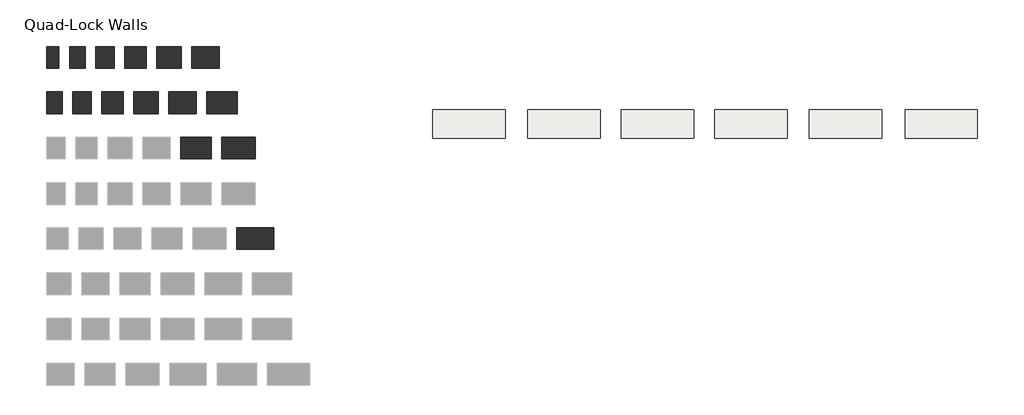
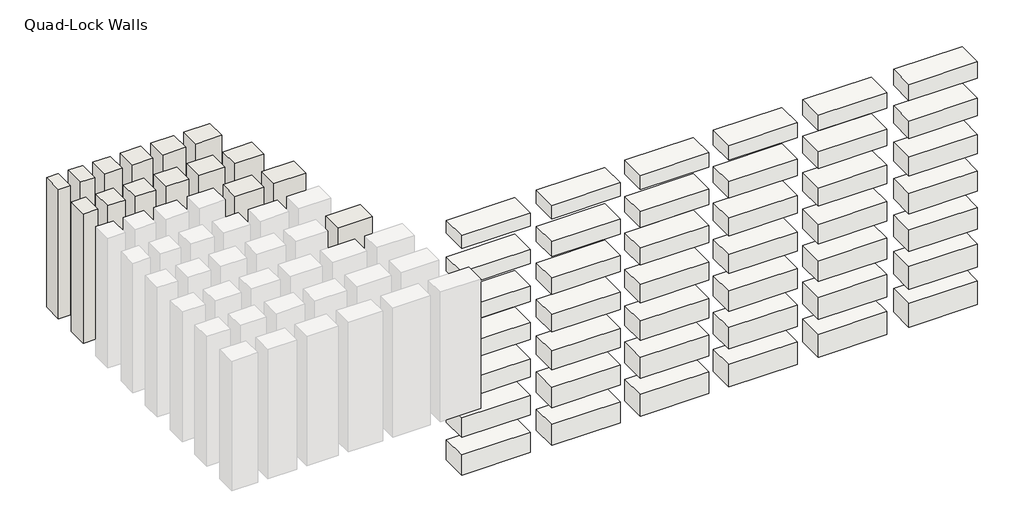
# One storey, part 2 of 2: 42 slabs, 15 walls.
"""IFC4 building model written with IfcOpenShell, lengths in millimetres."""

from ifc_helpers import new_model, si_unit, frame, origin, origin_with_axes, place, context, project, spatial, polyline, outline, extrude, element, save

model = new_model("IFC4")

# Units and contexts
model_context = context("Model", 3, world=origin())
ifc_project = project(units=[si_unit("LENGTHUNIT", "METRE", prefix="MILLI")], contexts=[model_context])

# Site, building, storey
site = spatial("IfcSite", under=ifc_project)
building = spatial("IfcBuilding", under=site)
storey = spatial("IfcBuildingStorey", under=building, Name="Quad-Lock Walls", Elevation=0.0)

# Slabs
placement = place(None, origin())
element("IfcSlab", 1, at=placement, inside=storey, context=model_context, shape_type="SweptSolid", body=[
    extrude(outline(polyline([(4461.1663569, 2606.3833142), (4461.1663569, 2131.470435), (3241.9663569, 2131.470435), (3241.9663569, 2606.3833142), (4461.1663569, 2606.3833142)])), frame((0.0, 0.0, -241.3), z_axis=(0.0, 0.0, 1.0), x_axis=(1.0, 0.0, 0.0)), (0.0, 0.0, 1.0), 241.3),
])
element("IfcSlab", 2, at=placement, inside=storey, context=model_context, shape_type="SweptSolid", body=[
    extrude(outline(polyline([(6061.3663569, 2606.3833142), (6061.3663569, 2131.470435), (4842.1663569, 2131.470435), (4842.1663569, 2606.3833142), (6061.3663569, 2606.3833142)])), frame((0.0, 0.0, -241.3), z_axis=(0.0, 0.0, 1.0), x_axis=(1.0, 0.0, 0.0)), (0.0, 0.0, 1.0), 254.0),
])
element("IfcSlab", 3, at=placement, inside=storey, context=model_context, shape_type="SweptSolid", body=[
    extrude(outline(polyline([(7636.1663569, 2606.3833142), (7636.1663569, 2131.470435), (6416.9663569, 2131.470435), (6416.9663569, 2606.3833142), (7636.1663569, 2606.3833142)])), frame((0.0, 0.0, -241.3), z_axis=(0.0, 0.0, 1.0), x_axis=(1.0, 0.0, 0.0)), (0.0, 0.0, 1.0), 266.7),
])
element("IfcSlab", 4, at=placement, inside=storey, context=model_context, shape_type="SweptSolid", body=[
    extrude(outline(polyline([(9210.9663569, 2606.3833142), (9210.9663569, 2131.470435), (7991.7663569, 2131.470435), (7991.7663569, 2606.3833142), (9210.9663569, 2606.3833142)])), frame((0.0, 0.0, -241.3), z_axis=(0.0, 0.0, 1.0), x_axis=(1.0, 0.0, 0.0)), (0.0, 0.0, 1.0), 279.4),
])
element("IfcSlab", 5, at=placement, inside=storey, context=model_context, shape_type="SweptSolid", body=[
    extrude(outline(polyline([(10802.7050683, 2606.3833142), (10802.7050683, 2131.470435), (9583.5050683, 2131.470435), (9583.5050683, 2606.3833142), (10802.7050683, 2606.3833142)])), frame((0.0, 0.0, -241.3), z_axis=(0.0, 0.0, 1.0), x_axis=(1.0, 0.0, 0.0)), (0.0, 0.0, 1.0), 292.1),
])
element("IfcSlab", 6, at=placement, inside=storey, context=model_context, shape_type="SweptSolid", body=[
    extrude(outline(polyline([(12415.6050683, 2606.3833142), (12415.6050683, 2131.470435), (11196.4050683, 2131.470435), (11196.4050683, 2606.3833142), (12415.6050683, 2606.3833142)])), frame((0.0, 0.0, -241.3), z_axis=(0.0, 0.0, 1.0), x_axis=(1.0, 0.0, 0.0)), (0.0, 0.0, 1.0), 304.8),
])
element("IfcSlab", 7, at=placement, inside=storey, context=model_context, shape_type="SweptSolid", body=[
    extrude(outline(polyline([(4461.1471547, 2606.3833142), (4461.1471547, 2131.470435), (3241.9855591, 2131.470435), (3241.9855591, 2606.3833142), (4461.1471547, 2606.3833142)])), frame((0.0, 0.0, -952.5), z_axis=(0.0, 0.0, 1.0), x_axis=(1.0, 0.0, 0.0)), (0.0, 0.0, 1.0), 266.7),
])
element("IfcSlab", 8, at=placement, inside=storey, context=model_context, shape_type="SweptSolid", body=[
    extrude(outline(polyline([(6061.3471547, 2606.3833142), (6061.3471547, 2131.470435), (4842.1855591, 2131.470435), (4842.1855591, 2606.3833142), (6061.3471547, 2606.3833142)])), frame((0.0, 0.0, -952.5), z_axis=(0.0, 0.0, 1.0), x_axis=(1.0, 0.0, 0.0)), (0.0, 0.0, 1.0), 279.4),
])
element("IfcSlab", 9, at=placement, inside=storey, context=model_context, shape_type="SweptSolid", body=[
    extrude(outline(polyline([(7636.1471547, 2606.3833142), (7636.1471547, 2131.470435), (6416.9855591, 2131.470435), (6416.9855591, 2606.3833142), (7636.1471547, 2606.3833142)])), frame((0.0, 0.0, -952.5), z_axis=(0.0, 0.0, 1.0), x_axis=(1.0, 0.0, 0.0)), (0.0, 0.0, 1.0), 292.1),
])
element("IfcSlab", 10, at=placement, inside=storey, context=model_context, shape_type="SweptSolid", body=[
    extrude(outline(polyline([(9210.9471547, 2606.3833142), (9210.9471547, 2131.470435), (7991.7855591, 2131.470435), (7991.7855591, 2606.3833142), (9210.9471547, 2606.3833142)])), frame((0.0, 0.0, -952.5), z_axis=(0.0, 0.0, 1.0), x_axis=(1.0, 0.0, 0.0)), (0.0, 0.0, 1.0), 304.8),
])
element("IfcSlab", 11, at=placement, inside=storey, context=model_context, shape_type="SweptSolid", body=[
    extrude(outline(polyline([(10802.685866, 2606.3833142), (10802.685866, 2131.470435), (9583.5242705, 2131.470435), (9583.5242705, 2606.3833142), (10802.685866, 2606.3833142)])), frame((0.0, 0.0, -952.5), z_axis=(0.0, 0.0, 1.0), x_axis=(1.0, 0.0, 0.0)), (0.0, 0.0, 1.0), 317.5),
])
element("IfcSlab", 12, at=placement, inside=storey, context=model_context, shape_type="SweptSolid", body=[
    extrude(outline(polyline([(12415.585866, 2606.3833142), (12415.585866, 2131.470435), (11196.4242705, 2131.470435), (11196.4242705, 2606.3833142), (12415.585866, 2606.3833142)])), frame((0.0, 0.0, -952.5), z_axis=(0.0, 0.0, 1.0), x_axis=(1.0, 0.0, 0.0)), (0.0, 0.0, 1.0), 330.2),
])
element("IfcSlab", 13, at=placement, inside=storey, context=model_context, shape_type="SweptSolid", body=[
    extrude(outline(polyline([(4461.1471547, 2606.3833142), (4461.1471547, 2131.470435), (3241.9855591, 2131.470435), (3241.9855591, 2606.3833142), (4461.1471547, 2606.3833142)])), frame((0.0, 0.0, -1663.7), z_axis=(0.0, 0.0, 1.0), x_axis=(1.0, 0.0, 0.0)), (0.0, 0.0, 1.0), 292.1),
])
element("IfcSlab", 14, at=placement, inside=storey, context=model_context, shape_type="SweptSolid", body=[
    extrude(outline(polyline([(6061.3471547, 2606.3833142), (6061.3471547, 2131.470435), (4842.1855591, 2131.470435), (4842.1855591, 2606.3833142), (6061.3471547, 2606.3833142)])), frame((0.0, 0.0, -1663.7), z_axis=(0.0, 0.0, 1.0), x_axis=(1.0, 0.0, 0.0)), (0.0, 0.0, 1.0), 304.8),
])
element("IfcSlab", 15, at=placement, inside=storey, context=model_context, shape_type="SweptSolid", body=[
    extrude(outline(polyline([(7636.1471547, 2606.3833142), (7636.1471547, 2131.470435), (6416.9855591, 2131.470435), (6416.9855591, 2606.3833142), (7636.1471547, 2606.3833142)])), frame((0.0, 0.0, -1663.7), z_axis=(0.0, 0.0, 1.0), x_axis=(1.0, 0.0, 0.0)), (0.0, 0.0, 1.0), 317.5),
])
element("IfcSlab", 16, at=placement, inside=storey, context=model_context, shape_type="SweptSolid", body=[
    extrude(outline(polyline([(9210.9471547, 2606.3833142), (9210.9471547, 2131.470435), (7991.7855591, 2131.470435), (7991.7855591, 2606.3833142), (9210.9471547, 2606.3833142)])), frame((0.0, 0.0, -1663.7), z_axis=(0.0, 0.0, 1.0), x_axis=(1.0, 0.0, 0.0)), (0.0, 0.0, 1.0), 330.2),
])
element("IfcSlab", 17, at=placement, inside=storey, context=model_context, shape_type="SweptSolid", body=[
    extrude(outline(polyline([(10802.685866, 2606.3833142), (10802.685866, 2131.470435), (9583.5242705, 2131.470435), (9583.5242705, 2606.3833142), (10802.685866, 2606.3833142)])), frame((0.0, 0.0, -1663.7), z_axis=(0.0, 0.0, 1.0), x_axis=(1.0, 0.0, 0.0)), (0.0, 0.0, 1.0), 342.9),
])
element("IfcSlab", 18, at=placement, inside=storey, context=model_context, shape_type="SweptSolid", body=[
    extrude(outline(polyline([(12415.585866, 2606.3833142), (12415.585866, 2131.470435), (11196.4242705, 2131.470435), (11196.4242705, 2606.3833142), (12415.585866, 2606.3833142)])), frame((0.0, 0.0, -1663.7), z_axis=(0.0, 0.0, 1.0), x_axis=(1.0, 0.0, 0.0)), (0.0, 0.0, 1.0), 355.6),
])
element("IfcSlab", 19, at=placement, inside=storey, context=model_context, shape_type="SweptSolid", body=[
    extrude(outline(polyline([(4461.1471547, 2606.3833142), (4461.1471547, 2131.470435), (3241.9855591, 2131.470435), (3241.9855591, 2606.3833142), (4461.1471547, 2606.3833142)])), frame((0.0, 0.0, -2374.9), z_axis=(0.0, 0.0, 1.0), x_axis=(1.0, 0.0, 0.0)), (0.0, 0.0, 1.0), 317.5),
])
element("IfcSlab", 20, at=placement, inside=storey, context=model_context, shape_type="SweptSolid", body=[
    extrude(outline(polyline([(6061.3471547, 2606.3833142), (6061.3471547, 2131.470435), (4842.1855591, 2131.470435), (4842.1855591, 2606.3833142), (6061.3471547, 2606.3833142)])), frame((0.0, 0.0, -2374.9), z_axis=(0.0, 0.0, 1.0), x_axis=(1.0, 0.0, 0.0)), (0.0, 0.0, 1.0), 330.2),
])
element("IfcSlab", 21, at=placement, inside=storey, context=model_context, shape_type="SweptSolid", body=[
    extrude(outline(polyline([(7636.1471547, 2606.3833142), (7636.1471547, 2131.470435), (6416.9855591, 2131.470435), (6416.9855591, 2606.3833142), (7636.1471547, 2606.3833142)])), frame((0.0, 0.0, -2374.9), z_axis=(0.0, 0.0, 1.0), x_axis=(1.0, 0.0, 0.0)), (0.0, 0.0, 1.0), 342.9),
])
element("IfcSlab", 22, at=placement, inside=storey, context=model_context, shape_type="SweptSolid", body=[
    extrude(outline(polyline([(9210.9471547, 2606.3833142), (9210.9471547, 2131.470435), (7991.7855591, 2131.470435), (7991.7855591, 2606.3833142), (9210.9471547, 2606.3833142)])), frame((0.0, 0.0, -2374.9), z_axis=(0.0, 0.0, 1.0), x_axis=(1.0, 0.0, 0.0)), (0.0, 0.0, 1.0), 355.6),
])
element("IfcSlab", 23, at=placement, inside=storey, context=model_context, shape_type="SweptSolid", body=[
    extrude(outline(polyline([(10802.685866, 2606.3833142), (10802.685866, 2131.470435), (9583.5242705, 2131.470435), (9583.5242705, 2606.3833142), (10802.685866, 2606.3833142)])), frame((0.0, 0.0, -2374.9), z_axis=(0.0, 0.0, 1.0), x_axis=(1.0, 0.0, 0.0)), (0.0, 0.0, 1.0), 368.3),
])
element("IfcSlab", 24, at=placement, inside=storey, context=model_context, shape_type="SweptSolid", body=[
    extrude(outline(polyline([(12415.585866, 2606.3833142), (12415.585866, 2131.470435), (11196.4242705, 2131.470435), (11196.4242705, 2606.3833142), (12415.585866, 2606.3833142)])), frame((0.0, 0.0, -2374.9), z_axis=(0.0, 0.0, 1.0), x_axis=(1.0, 0.0, 0.0)), (0.0, 0.0, 1.0), 381.0),
])
element("IfcSlab", 25, at=placement, inside=storey, context=model_context, shape_type="SweptSolid", body=[
    extrude(outline(polyline([(4461.1471547, 2606.3833142), (4461.1471547, 2131.470435), (3241.9855591, 2131.470435), (3241.9855591, 2606.3833142), (4461.1471547, 2606.3833142)])), frame((0.0, 0.0, -3086.1), z_axis=(0.0, 0.0, 1.0), x_axis=(1.0, 0.0, 0.0)), (0.0, 0.0, 1.0), 342.9),
])
element("IfcSlab", 26, at=placement, inside=storey, context=model_context, shape_type="SweptSolid", body=[
    extrude(outline(polyline([(6061.3471547, 2606.3833142), (6061.3471547, 2131.470435), (4842.1855591, 2131.470435), (4842.1855591, 2606.3833142), (6061.3471547, 2606.3833142)])), frame((0.0, 0.0, -3086.1), z_axis=(0.0, 0.0, 1.0), x_axis=(1.0, 0.0, 0.0)), (0.0, 0.0, 1.0), 355.6),
])
element("IfcSlab", 27, at=placement, inside=storey, context=model_context, shape_type="SweptSolid", body=[
    extrude(outline(polyline([(7636.1471547, 2606.3833142), (7636.1471547, 2131.470435), (6416.9855591, 2131.470435), (6416.9855591, 2606.3833142), (7636.1471547, 2606.3833142)])), frame((0.0, 0.0, -3086.1), z_axis=(0.0, 0.0, 1.0), x_axis=(1.0, 0.0, 0.0)), (0.0, 0.0, 1.0), 368.3),
])
element("IfcSlab", 28, at=placement, inside=storey, context=model_context, shape_type="SweptSolid", body=[
    extrude(outline(polyline([(9210.9471547, 2606.3833142), (9210.9471547, 2131.470435), (7991.7855591, 2131.470435), (7991.7855591, 2606.3833142), (9210.9471547, 2606.3833142)])), frame((0.0, 0.0, -3086.1), z_axis=(0.0, 0.0, 1.0), x_axis=(1.0, 0.0, 0.0)), (0.0, 0.0, 1.0), 381.0),
])
element("IfcSlab", 29, at=placement, inside=storey, context=model_context, shape_type="SweptSolid", body=[
    extrude(outline(polyline([(10802.685866, 2606.3833142), (10802.685866, 2131.470435), (9583.5242705, 2131.470435), (9583.5242705, 2606.3833142), (10802.685866, 2606.3833142)])), frame((0.0, 0.0, -3086.1), z_axis=(0.0, 0.0, 1.0), x_axis=(1.0, 0.0, 0.0)), (0.0, 0.0, 1.0), 393.7),
])
element("IfcSlab", 30, at=placement, inside=storey, context=model_context, shape_type="SweptSolid", body=[
    extrude(outline(polyline([(12415.585866, 2606.3833142), (12415.585866, 2131.470435), (11196.4242705, 2131.470435), (11196.4242705, 2606.3833142), (12415.585866, 2606.3833142)])), frame((0.0, 0.0, -3086.1), z_axis=(0.0, 0.0, 1.0), x_axis=(1.0, 0.0, 0.0)), (0.0, 0.0, 1.0), 406.4),
])
element("IfcSlab", 31, at=placement, inside=storey, context=model_context, shape_type="SweptSolid", body=[
    extrude(outline(polyline([(4461.1471547, 2606.3833142), (4461.1471547, 2131.470435), (3241.9855591, 2131.470435), (3241.9855591, 2606.3833142), (4461.1471547, 2606.3833142)])), frame((0.0, 0.0, -3797.3), z_axis=(0.0, 0.0, 1.0), x_axis=(1.0, 0.0, 0.0)), (0.0, 0.0, 1.0), 368.3),
])
element("IfcSlab", 32, at=placement, inside=storey, context=model_context, shape_type="SweptSolid", body=[
    extrude(outline(polyline([(6061.3471547, 2606.3833142), (6061.3471547, 2131.470435), (4842.1855591, 2131.470435), (4842.1855591, 2606.3833142), (6061.3471547, 2606.3833142)])), frame((0.0, 0.0, -3797.3), z_axis=(0.0, 0.0, 1.0), x_axis=(1.0, 0.0, 0.0)), (0.0, 0.0, 1.0), 381.0),
])
element("IfcSlab", 33, at=placement, inside=storey, context=model_context, shape_type="SweptSolid", body=[
    extrude(outline(polyline([(7636.1471547, 2606.3833142), (7636.1471547, 2131.470435), (6416.9855591, 2131.470435), (6416.9855591, 2606.3833142), (7636.1471547, 2606.3833142)])), frame((0.0, 0.0, -3797.3), z_axis=(0.0, 0.0, 1.0), x_axis=(1.0, 0.0, 0.0)), (0.0, 0.0, 1.0), 393.7),
])
element("IfcSlab", 34, at=placement, inside=storey, context=model_context, shape_type="SweptSolid", body=[
    extrude(outline(polyline([(9210.9471547, 2606.3833142), (9210.9471547, 2131.470435), (7991.7855591, 2131.470435), (7991.7855591, 2606.3833142), (9210.9471547, 2606.3833142)])), frame((0.0, 0.0, -3797.3), z_axis=(0.0, 0.0, 1.0), x_axis=(1.0, 0.0, 0.0)), (0.0, 0.0, 1.0), 406.4),
])
element("IfcSlab", 35, at=placement, inside=storey, context=model_context, shape_type="SweptSolid", body=[
    extrude(outline(polyline([(10802.685866, 2606.3833142), (10802.685866, 2131.470435), (9583.5242705, 2131.470435), (9583.5242705, 2606.3833142), (10802.685866, 2606.3833142)])), frame((0.0, 0.0, -3797.3), z_axis=(0.0, 0.0, 1.0), x_axis=(1.0, 0.0, 0.0)), (0.0, 0.0, 1.0), 419.1),
])
element("IfcSlab", 36, at=placement, inside=storey, context=model_context, shape_type="SweptSolid", body=[
    extrude(outline(polyline([(12415.585866, 2606.3833142), (12415.585866, 2131.470435), (11196.4242705, 2131.470435), (11196.4242705, 2606.3833142), (12415.585866, 2606.3833142)])), frame((0.0, 0.0, -3797.3), z_axis=(0.0, 0.0, 1.0), x_axis=(1.0, 0.0, 0.0)), (0.0, 0.0, 1.0), 431.8),
])
element("IfcSlab", 37, at=placement, inside=storey, context=model_context, shape_type="SweptSolid", body=[
    extrude(outline(polyline([(4461.1471547, 2606.3833142), (4461.1471547, 2131.470435), (3241.9855591, 2131.470435), (3241.9855591, 2606.3833142), (4461.1471547, 2606.3833142)])), frame((0.0, 0.0, -4508.5), z_axis=(0.0, 0.0, 1.0), x_axis=(1.0, 0.0, 0.0)), (0.0, 0.0, 1.0), 381.0),
])
element("IfcSlab", 38, at=placement, inside=storey, context=model_context, shape_type="SweptSolid", body=[
    extrude(outline(polyline([(6061.3471547, 2606.3833142), (6061.3471547, 2131.470435), (4842.1855591, 2131.470435), (4842.1855591, 2606.3833142), (6061.3471547, 2606.3833142)])), frame((0.0, 0.0, -4508.5), z_axis=(0.0, 0.0, 1.0), x_axis=(1.0, 0.0, 0.0)), (0.0, 0.0, 1.0), 393.7),
])
element("IfcSlab", 39, at=placement, inside=storey, context=model_context, shape_type="SweptSolid", body=[
    extrude(outline(polyline([(7636.1471547, 2606.3833142), (7636.1471547, 2131.470435), (6416.9855591, 2131.470435), (6416.9855591, 2606.3833142), (7636.1471547, 2606.3833142)])), frame((0.0, 0.0, -4508.5), z_axis=(0.0, 0.0, 1.0), x_axis=(1.0, 0.0, 0.0)), (0.0, 0.0, 1.0), 406.4),
])
element("IfcSlab", 40, at=placement, inside=storey, context=model_context, shape_type="SweptSolid", body=[
    extrude(outline(polyline([(9210.9471547, 2606.3833142), (9210.9471547, 2131.470435), (7991.7855591, 2131.470435), (7991.7855591, 2606.3833142), (9210.9471547, 2606.3833142)])), frame((0.0, 0.0, -4508.5), z_axis=(0.0, 0.0, 1.0), x_axis=(1.0, 0.0, 0.0)), (0.0, 0.0, 1.0), 419.1),
])
element("IfcSlab", 41, at=placement, inside=storey, context=model_context, shape_type="SweptSolid", body=[
    extrude(outline(polyline([(10802.685866, 2606.3833142), (10802.685866, 2131.470435), (9583.5242705, 2131.470435), (9583.5242705, 2606.3833142), (10802.685866, 2606.3833142)])), frame((0.0, 0.0, -4508.5), z_axis=(0.0, 0.0, 1.0), x_axis=(1.0, 0.0, 0.0)), (0.0, 0.0, 1.0), 431.8),
])
element("IfcSlab", 42, at=placement, inside=storey, context=model_context, shape_type="SweptSolid", body=[
    extrude(outline(polyline([(12415.585866, 2606.3833142), (12415.585866, 2131.470435), (11196.4242705, 2131.470435), (11196.4242705, 2606.3833142), (12415.585866, 2606.3833142)])), frame((0.0, 0.0, -4508.5), z_axis=(0.0, 0.0, 1.0), x_axis=(1.0, 0.0, 0.0)), (0.0, 0.0, 1.0), 444.5),
])

# Walls
element("IfcWall", 43, at=placement, inside=storey, context=model_context, shape_type="SweptSolid", body=[
    extrude(outline(polyline([(-998.5237403, 1779.0390453), (-998.5237403, 2147.3390453), (-484.1737403, 2147.3390453), (-484.1737403, 1779.0390453), (-998.5237403, 1779.0390453)])), origin_with_axes(), (0.0, 0.0, 1.0), 2438.4),
])
element("IfcWall", 44, at=placement, inside=storey, context=model_context, shape_type="SweptSolid", body=[
    extrude(outline(polyline([(-306.3737403, 1779.0390453), (-306.3737403, 2147.3390453), (258.7762597, 2147.3390453), (258.7762597, 1779.0390453), (-306.3737403, 1779.0390453)])), origin_with_axes(), (0.0, 0.0, 1.0), 2438.4),
])
element("IfcWall", 45, at=placement, inside=storey, context=model_context, shape_type="SweptSolid", body=[
    extrude(outline(polyline([(-3259.1237403, 2541.0390453), (-3259.1237403, 2909.3390453), (-2998.7737403, 2909.3390453), (-2998.7737403, 2541.0390453), (-3259.1237403, 2541.0390453)])), origin_with_axes(), (0.0, 0.0, 1.0), 2438.4),
])
element("IfcWall", 46, at=placement, inside=storey, context=model_context, shape_type="SweptSolid", body=[
    extrude(outline(polyline([(-2821.3560312, 2541.0390453), (-2821.3560312, 2909.3390453), (-2510.2060312, 2909.3390453), (-2510.2060312, 2541.0390453), (-2821.3560312, 2541.0390453)])), origin_with_axes(), (0.0, 0.0, 1.0), 2438.4),
])
element("IfcWall", 47, at=placement, inside=storey, context=model_context, shape_type="SweptSolid", body=[
    extrude(outline(polyline([(-2332.0237403, 2541.0390453), (-2332.0237403, 2909.3390453), (-1970.0737403, 2909.3390453), (-1970.0737403, 2541.0390453), (-2332.0237403, 2541.0390453)])), origin_with_axes(), (0.0, 0.0, 1.0), 2438.4),
])
element("IfcWall", 48, at=placement, inside=storey, context=model_context, shape_type="SweptSolid", body=[
    extrude(outline(polyline([(-1792.2737403, 2541.0390453), (-1792.2737403, 2909.3390453), (-1379.5237403, 2909.3390453), (-1379.5237403, 2541.0390453), (-1792.2737403, 2541.0390453)])), origin_with_axes(), (0.0, 0.0, 1.0), 2438.4),
])
element("IfcWall", 49, at=placement, inside=storey, context=model_context, shape_type="SweptSolid", body=[
    extrude(outline(polyline([(-1201.7237403, 2541.0390453), (-1201.7237403, 2909.3390453), (-738.1737403, 2909.3390453), (-738.1737403, 2541.0390453), (-1201.7237403, 2541.0390453)])), origin_with_axes(), (0.0, 0.0, 1.0), 2438.4),
])
element("IfcWall", 50, at=placement, inside=storey, context=model_context, shape_type="SweptSolid", body=[
    extrude(outline(polyline([(-560.3737403, 2541.0390453), (-560.3737403, 2909.3390453), (-46.0237403, 2909.3390453), (-46.0237403, 2541.0390453), (-560.3737403, 2541.0390453)])), origin_with_axes(), (0.0, 0.0, 1.0), 2438.4),
])
element("IfcWall", 51, at=placement, inside=storey, context=model_context, shape_type="SweptSolid", body=[
    extrude(outline(polyline([(-3259.1237403, 3303.0390453), (-3259.1237403, 3671.3390453), (-3049.5737403, 3671.3390453), (-3049.5737403, 3303.0390453), (-3259.1237403, 3303.0390453)])), origin_with_axes(), (0.0, 0.0, 1.0), 2438.4),
])
element("IfcWall", 52, at=placement, inside=storey, context=model_context, shape_type="SweptSolid", body=[
    extrude(outline(polyline([(-2871.7737403, 3303.0390453), (-2871.7737403, 3671.3390453), (-2611.4237403, 3671.3390453), (-2611.4237403, 3303.0390453), (-2871.7737403, 3303.0390453)])), origin_with_axes(), (0.0, 0.0, 1.0), 2438.4),
])
element("IfcWall", 53, at=placement, inside=storey, context=model_context, shape_type="SweptSolid", body=[
    extrude(outline(polyline([(-2433.6237403, 3303.0390453), (-2433.6237403, 3671.3390453), (-2122.4737403, 3671.3390453), (-2122.4737403, 3303.0390453), (-2433.6237403, 3303.0390453)])), origin_with_axes(), (0.0, 0.0, 1.0), 2438.4),
])
element("IfcWall", 54, at=placement, inside=storey, context=model_context, shape_type="SweptSolid", body=[
    extrude(outline(polyline([(-1944.6737403, 3303.0390453), (-1944.6737403, 3671.3390453), (-1582.7237403, 3671.3390453), (-1582.7237403, 3303.0390453), (-1944.6737403, 3303.0390453)])), origin_with_axes(), (0.0, 0.0, 1.0), 2438.4),
])
element("IfcWall", 55, at=placement, inside=storey, context=model_context, shape_type="SweptSolid", body=[
    extrude(outline(polyline([(-1404.9237403, 3303.0390453), (-1404.9237403, 3671.3390453), (-992.1737403, 3671.3390453), (-992.1737403, 3303.0390453), (-1404.9237403, 3303.0390453)])), origin_with_axes(), (0.0, 0.0, 1.0), 2438.4),
])
element("IfcWall", 56, at=placement, inside=storey, context=model_context, shape_type="SweptSolid", body=[
    extrude(outline(polyline([(-814.3737403, 3303.0390453), (-814.3737403, 3671.3390453), (-350.8237403, 3671.3390453), (-350.8237403, 3303.0390453), (-814.3737403, 3303.0390453)])), origin_with_axes(), (0.0, 0.0, 1.0), 2438.4),
])
element("IfcWall", 57, at=placement, inside=storey, context=model_context, shape_type="SweptSolid", body=[
    extrude(outline(polyline([(-52.3737403, 255.0390453), (-52.3737403, 623.3390453), (563.5762597, 623.3390453), (563.5762597, 255.0390453), (-52.3737403, 255.0390453)])), origin_with_axes(), (0.0, 0.0, 1.0), 2438.4),
])

save(model, "model.ifc")
